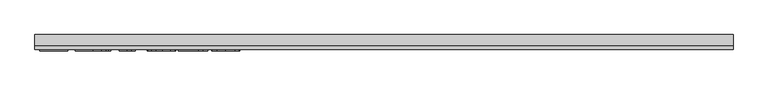
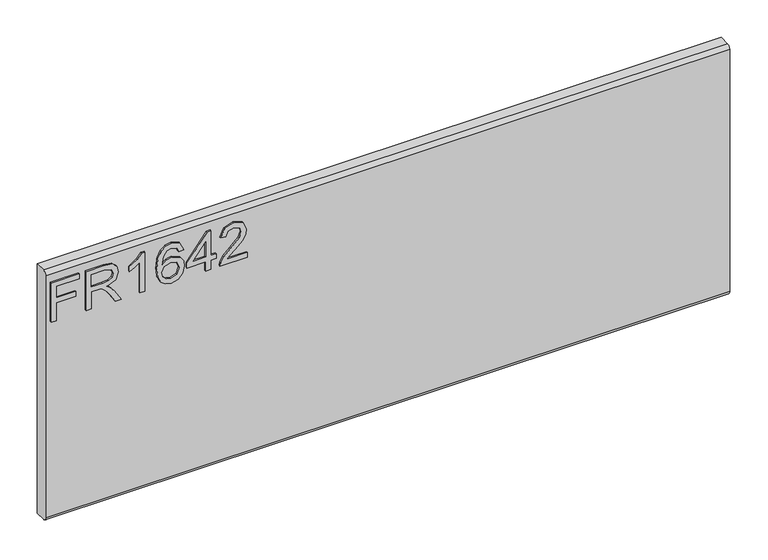
"""IFC4 building model written with IfcOpenShell, lengths in millimetres: furniture geometry."""

from ifc_helpers import new_model, si_unit, frame, origin, place, context, project, spatial, polyline, circle_curve, outline, extrude, source, transform, mapped, element, save
from ifc_brep_helpers import plane_surface, cylinder_surface, advanced_brep


def furniture_afef312b(model_context):
    return source(origin(), model_context, "Body", "SolidModel", [
        extrude(outline(polyline([(476.25, -520.0729953), (476.25, -512.0992757), (505.1547336, -512.0992757), (505.1547336, -482.1978271), (513.1284532, -482.1978271), (513.1284532, -512.0992757), (532.0660373, -512.0992757), (532.0660373, -477.2142524), (540.0397569, -477.2142524), (540.0397569, -520.0729953), (476.25, -520.0729953)])), frame((0.0, -15.0812439, 0.0), z_axis=(0.0, 1.0, 0.0), x_axis=(0.0, 0.0, 1.0)), (0.0, 0.0, 1.0), 2.38125),
        extrude(outline(polyline([(476.25, -466.2503879), (476.25, -458.2766683), (504.1580187, -458.2766683), (504.1580187, -448.6521395), (503.8776926, -444.0267592), (502.3592596, -440.2345703), (498.22445, -436.0218923), (489.4720468, -430.0260289), (476.25, -421.7252622), (476.25, -412.4589278), (493.536775, -423.0957452), (501.7440996, -429.5588187), (505.1547336, -434.090757), (511.0883023, -420.736334), (522.5816716, -416.4146403), (532.2295609, -419.0232302), (538.3188663, -426.0002349), (540.0397569, -438.7628584), (540.0397569, -466.2503879), (476.25, -466.2503879)]), holes=[polyline([(512.1317383, -458.2766683), (532.0660373, -458.2766683), (532.0660373, -438.4202376), (529.3094975, -427.7600597), (522.2857719, -424.3883599), (516.8739211, -426.1559716), (513.2608294, -431.3264304), (512.1317383, -440.4292412), (512.1317383, -458.2766683)])]), frame((0.0, -15.0812439, 0.0), z_axis=(0.0, 1.0, 0.0), x_axis=(0.0, 0.0, 1.0)), (0.0, 0.0, 1.0), 2.38125),
        extrude(outline(polyline([(476.25, -375.5493273), (540.0397569, -375.5493273), (540.0397569, -380.6886387), (531.5521062, -387.7824459), (524.0923177, -399.4704861), (516.5546609, -399.4704861), (520.5804549, -391.0762774), (525.9611582, -383.5230469), (476.25, -383.5230469), (476.25, -375.5493273)])), frame((0.0, -15.0812439, 0.0), z_axis=(0.0, 1.0, 0.0), x_axis=(0.0, 0.0, 1.0)), (0.0, 0.0, 1.0), 2.38125),
        extrude(outline(polyline([(523.0956028, -315.7464301), (535.538966, -321.6332778), (540.0397569, -334.2323777), (538.2215308, -343.4870318), (532.7668525, -350.6314534), (521.9081103, -355.8642069), (506.0268592, -357.6084581), (491.9015395, -356.037464), (482.4171738, -351.3244818), (477.0442572, -344.1197122), (475.253285, -335.073356), (477.955317, -324.6234227), (485.7421526, -317.3816656), (496.7449512, -314.7497152), (504.9172351, -316.1474522), (511.4309231, -320.3406631), (517.115313, -333.889757), (515.0362279, -342.603226), (508.6743833, -349.6347385), (522.8853582, -347.3687693), (530.1349021, -341.9257713), (532.0660373, -334.7307352), (528.7488454, -326.7414419), (522.0988878, -323.7201497), (523.0956028, -315.7464301)]), holes=[polyline([(496.8695406, -349.6347385), (505.75432, -345.6712392), (509.1415934, -336.0233499), (505.75432, -326.2508713), (496.4801988, -322.7234348), (486.7933754, -326.2975923), (483.2270047, -335.6963028), (484.9478953, -342.8835521), (489.9626174, -347.7892585), (496.8695406, -349.6347385)])]), frame((0.0, -15.0812439, 0.0), z_axis=(0.0, 1.0, 0.0), x_axis=(0.0, 0.0, 1.0)), (0.0, 0.0, 1.0), 2.38125),
        extrude(outline(polyline([(476.25, -281.8581217), (476.25, -273.8844021), (491.2007243, -273.8844021), (491.2007243, -265.9106825), (499.1744439, -265.9106825), (499.1744439, -273.8844021), (539.043042, -273.8844021), (539.043042, -279.8646918), (499.1744439, -310.7628554), (491.2007243, -310.7628554), (491.2007243, -281.8581217), (476.25, -281.8581217)]), holes=[polyline([(499.1744439, -281.8581217), (499.1744439, -300.9514425), (523.8119916, -281.8581217), (499.1744439, -281.8581217)])]), frame((0.0, -15.0812439, 0.0), z_axis=(0.0, 1.0, 0.0), x_axis=(0.0, 0.0, 1.0)), (0.0, 0.0, 1.0), 2.38125),
        extrude(outline(polyline([(484.2237196, -218.0683648), (484.2237196, -249.3870174), (488.2806609, -245.7894994), (495.950694, -236.6166071), (506.8756243, -225.1933193), (514.6936072, -220.4822838), (522.2546245, -219.0650797), (534.9315928, -224.3211938), (540.0397569, -238.5944633), (535.445524, -252.8210119), (522.0988878, -258.9336778), (521.1021729, -250.9599582), (529.1537608, -247.6038321), (532.0660373, -238.7657737), (529.0836793, -230.2859098), (521.7718407, -227.0387994), (512.7391115, -230.4805807), (499.45477, -244.247706), (490.2117962, -254.2304292), (481.7475059, -259.0738409), (476.25, -259.9303928), (476.25, -218.0683648), (484.2237196, -218.0683648)])), frame((0.0, -15.0812439, 0.0), z_axis=(0.0, 1.0, 0.0), x_axis=(0.0, 0.0, 1.0)), (0.0, 0.0, 1.0), 2.38125),
        advanced_brep(
        [(527.05, 9.5250061, 558.8), (527.05, -6.7309939, 558.8), (527.05, -12.6999939, 552.831), (527.05, -12.6999939, 158.369), (527.05, -6.7309939, 152.4), (527.05, 9.5250061, 152.4), (-527.05, 9.5250061, 558.8), (-527.05, 9.5250061, 152.4), (-527.05, -6.7309939, 152.4), (-527.05, -12.6999939, 158.369), (-527.05, -12.6999939, 552.8310121), (-527.05, -6.7309939, 558.8)],
        [
            (0, 1),
            (1, 2, circle_curve(frame((527.05, -6.7309939, 552.831), z_axis=(1.0, 0.0, 0.0), x_axis=(0.0, 1.0, 0.0)), 5.969)),
            (2, 3),
            (3, 4, circle_curve(frame((527.05, -6.7309939, 158.369), z_axis=(1.0, 0.0, 0.0), x_axis=(0.0, 1.0, 0.0)), 5.969)),
            (4, 5),
            (5, 0),
            (6, 7),
            (7, 8),
            (8, 9, circle_curve(frame((-527.05, -6.7309939, 158.369), z_axis=(-1.0, 0.0, 0.0), x_axis=(0.0, 1.0, 0.0)), 5.969)),
            (9, 10),
            (10, 11, circle_curve(frame((-527.05, -6.7309939, 552.831), z_axis=(-1.0, 0.0, 0.0), x_axis=(0.0, 1.0, 0.0)), 5.969)),
            (11, 6),
            (0, 6),
            (11, 1),
            (10, 2),
            (9, 3),
            (8, 4),
            (7, 5),
        ],
        [
            plane_surface(frame((527.05, -6.7309939, 558.8), z_axis=(1.0, 0.0, 0.0), x_axis=(0.0, -1.0, 0.0))),
            plane_surface(frame((-527.05, -6.7309939, 558.8), z_axis=(-1.0, 0.0, 0.0), x_axis=(0.0, 1.0, 0.0))),
            plane_surface(frame((527.05, 9.5250061, 558.8), z_axis=(0.0, 0.0, 1.0), x_axis=(-1.0, 0.0, 0.0))),
            cylinder_surface(frame((-527.05, -6.7309939, 552.831), z_axis=(1.0, 0.0, 0.0), x_axis=(0.0, 1.0, 0.0)), 5.969),
            plane_surface(frame((527.05, -12.6999939, 552.8310121), z_axis=(0.0, -1.0, 0.0), x_axis=(-1.0, 0.0, 0.0))),
            cylinder_surface(frame((-527.05, -6.7309939, 158.369), z_axis=(1.0, 0.0, 0.0), x_axis=(0.0, 1.0, 0.0)), 5.969),
            plane_surface(frame((527.05, -6.7309939, 152.4), z_axis=(0.0, 0.0, -1.0), x_axis=(-1.0, 0.0, 0.0))),
            plane_surface(frame((527.05, 9.5250061, 152.4), z_axis=(0.0, 1.0, 0.0), x_axis=(-1.0, 0.0, 0.0))),
        ],
        [
            (0, [[1, 2, 3, 4, 5, 6]]),
            (1, [[7, 8, 9, 10, 11, 12]]),
            (2, [[-1, 13, -12, 14]]),
            (3, [[-2, -14, -11, 15]]),
            (4, [[-3, -15, -10, 16]]),
            (5, [[-4, -16, -9, 17]]),
            (6, [[-5, -17, -8, 18]]),
            (7, [[-6, -18, -7, -13]]),
        ],
    ),
    ])


if __name__ == "__main__":
    model = new_model("IFC4")
    model_context = context("Model", 3, world=origin())
    ifc_project = project(units=[si_unit("LENGTHUNIT", "METRE", prefix="MILLI")], contexts=[model_context])
    site = spatial("IfcSite", under=ifc_project)
    building = spatial("IfcBuilding", under=site)
    placement = place(None, origin())
    furniture_shape = furniture_afef312b(model_context)
    element("IfcFurniture", 1, at=placement, inside=building, context=model_context, shape_type="MappedRepresentation", body=[
        mapped(furniture_shape, transform((0.0, 0.0, 0.0), x_axis=(1.0, 0.0, 0.0), y_axis=(0.0, 1.0, 0.0), z_axis=(0.0, 0.0, 1.0))),
    ])
    save(model, "model.ifc")
